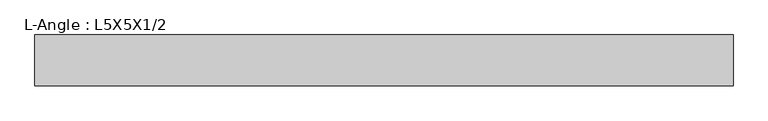
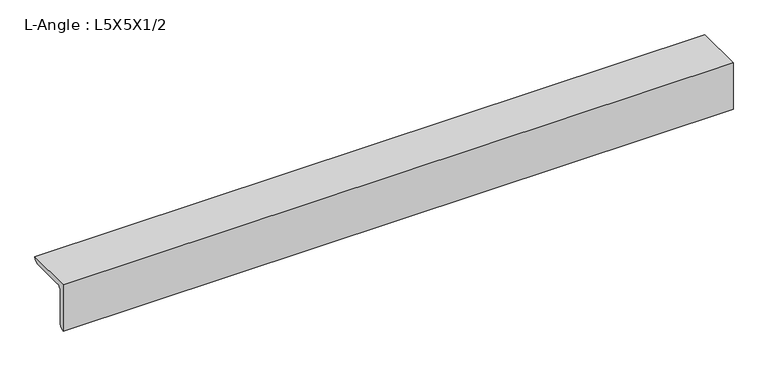
"""IFC4 building model written with IfcOpenShell, lengths in millimetres: beam geometry, L-Angle : L5X5X1/2."""

from ifc_helpers import new_model, si_unit, point, frame, frame_2d, origin, place, context, project, spatial, polyline, circle_curve, trimmed, segment, composite_curve, outline, extrude, source, transform, mapped, element, save


def l_angle_l5x5x1_2_c66f6120(model_context):
    return source(origin(), model_context, "Body", "SweptSolid", [
        extrude(outline(composite_curve([segment(polyline([(-36.068, 36.068), (90.932, 36.068)]), True, "CONTINUOUS"), segment(trimmed(circle_curve(frame_2d((78.232, 36.068)), 12.7), [point((90.932, 36.068))], [point((78.232, 23.368))], False, "CARTESIAN"), True, "CONTINUOUS"), segment(polyline([(78.232, 23.368), (-10.668, 23.368)]), True, "CONTINUOUS"), segment(trimmed(circle_curve(frame_2d((-10.668, 10.668)), 12.7), [point((-10.668, 23.368))], [point((-23.368, 10.668))], True, "CARTESIAN"), True, "CONTINUOUS"), segment(polyline([(-23.368, 10.668), (-23.368, -78.232)]), True, "CONTINUOUS"), segment(trimmed(circle_curve(frame_2d((-36.068, -78.232)), 12.7), [point((-23.368, -78.232))], [point((-36.068, -90.932))], False, "CARTESIAN"), True, "CONTINUOUS"), segment(polyline([(-36.068, -90.932), (-36.068, 36.068)]), True, "CONTINUOUS")], self_intersect=False)), frame((-884.3118359, 0.0, 0.0), z_axis=(1.0, 0.0, 0.0), x_axis=(0.0, 1.0, 0.0)), (0.0, 0.0, 1.0), 1741.1787868),
    ])


if __name__ == "__main__":
    model = new_model("IFC4")
    model_context = context("Model", 3, world=origin())
    ifc_project = project(units=[si_unit("LENGTHUNIT", "METRE", prefix="MILLI")], contexts=[model_context])
    site = spatial("IfcSite", under=ifc_project)
    building = spatial("IfcBuilding", under=site)
    placement = place(None, origin())
    l_angle_l5x5x1_2_shape = l_angle_l5x5x1_2_c66f6120(model_context)
    element("IfcBeam", 1, ObjectType="L-Angle : L5X5X1/2", at=placement, inside=building, context=model_context, shape_type="MappedRepresentation", body=[
        mapped(l_angle_l5x5x1_2_shape, transform((0.0, 0.0, 0.0), x_axis=(1.0, 0.0, 0.0), y_axis=(0.0, 1.0, 0.0), z_axis=(0.0, 0.0, 1.0))),
    ])
    save(model, "model.ifc")
